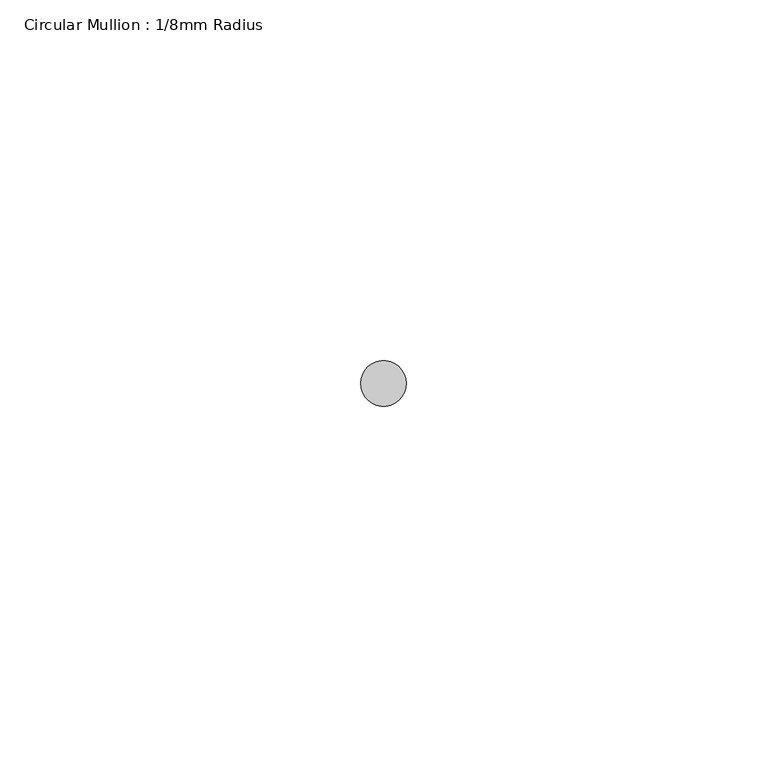
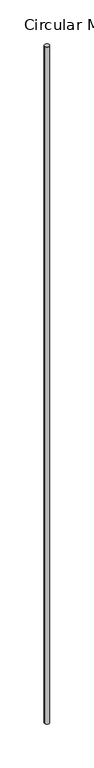
"""IFC4 building model written with IfcOpenShell, lengths in millimetres: member geometry, Circular Mullion : 1/8mm Radius."""

from ifc_helpers import new_model, si_unit, point, frame, origin, origin_2d, place, context, project, spatial, circle_curve, trimmed, segment, composite_curve, outline, extrude, source, transform, mapped, element, save


def circular_mullion_1_8mm_radius_31b13f08(model_context):
    return source(origin(), model_context, "Body", "SweptSolid", [
        extrude(outline(composite_curve([segment(trimmed(circle_curve(origin_2d(), 3.175), [point((3.175, 0.0))], [point((-3.175, 0.0))], False, "CARTESIAN"), True, "CONTINUOUS"), segment(trimmed(circle_curve(origin_2d(), 3.175), [point((-3.175, 0.0))], [point((3.175, 0.0))], False, "CARTESIAN"), True, "CONTINUOUS")], self_intersect=False)), frame((0.0, 0.0, -952.5), z_axis=(0.0, 0.0, 1.0), x_axis=(1.0, 0.0, 0.0)), (0.0, 0.0, 1.0), 952.5),
    ])


if __name__ == "__main__":
    model = new_model("IFC4")
    model_context = context("Model", 3, world=origin())
    ifc_project = project(units=[si_unit("LENGTHUNIT", "METRE", prefix="MILLI")], contexts=[model_context])
    site = spatial("IfcSite", under=ifc_project)
    building = spatial("IfcBuilding", under=site)
    placement = place(None, origin())
    circular_mullion_1_8mm_radius_shape = circular_mullion_1_8mm_radius_31b13f08(model_context)
    element("IfcMember", 1, ObjectType="Circular Mullion : 1/8mm Radius", at=placement, inside=building, context=model_context, shape_type="MappedRepresentation", body=[
        mapped(circular_mullion_1_8mm_radius_shape, transform((0.0, 0.0, 0.0), x_axis=(1.0, 0.0, 0.0), y_axis=(0.0, 1.0, 0.0), z_axis=(0.0, 0.0, 1.0))),
    ])
    save(model, "model.ifc")
